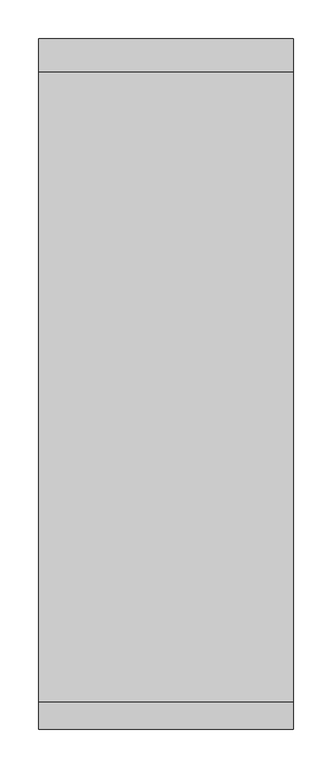
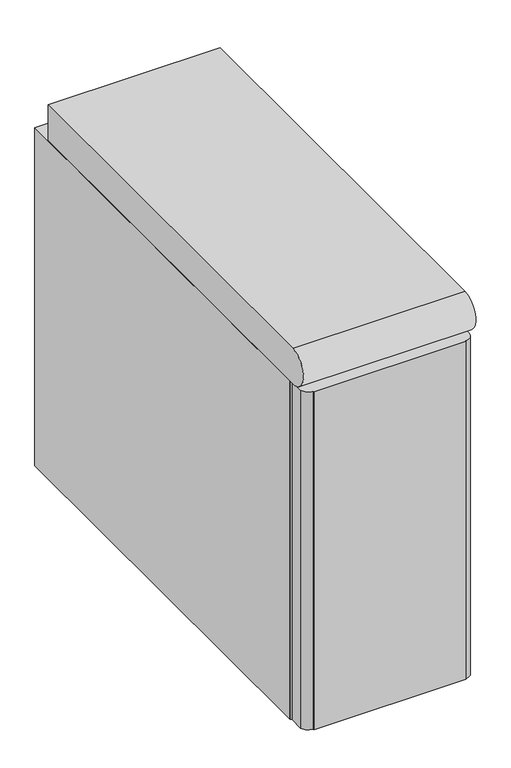
"""IFC4 building model written with IfcOpenShell, lengths in millimetres: proxy geometry."""

from ifc_helpers import new_model, si_unit, point, frame, frame_2d, origin, origin_with_axes, place, context, project, spatial, polyline, circle_curve, trimmed, segment, composite_curve, outline, extrude, source, transform, mapped, element, save


def specialty_equipment_05399ea4(model_context):
    return source(origin(), model_context, "Body", "SweptSolid", [
        extrude(outline(composite_curve([segment(polyline([(852.0276869, 688.0), (36.0, 688.0)]), True, "CONTINUOUS"), segment(trimmed(circle_curve(frame_2d((36.0, 724.0)), 36.0), [point((36.0, 688.0))], [point((36.0, 760.0))], False, "CARTESIAN"), True, "CONTINUOUS"), segment(polyline([(36.0, 760.0), (852.0276869, 760.0), (852.0276869, 688.0)]), True, "CONTINUOUS")], self_intersect=False)), frame((-165.9706192, 0.0, 0.0), z_axis=(1.0, 0.0, 0.0), x_axis=(0.0, 1.0, 0.0)), (0.0, 0.0, 1.0), 331.0),
        extrude(outline(composite_curve([segment(polyline([(165.0293808, 895.8276869), (165.0293808, 47.9810748)]), True, "CONTINUOUS"), segment(trimmed(circle_curve(frame_2d((158.294266, 47.6595047)), 6.7427872), [point((165.0293808, 47.9810748))], [point((163.0626752, 42.8921729))], False, "CARTESIAN"), True, "CONTINUOUS"), segment(polyline([(163.0626752, 42.8921729), (163.0626752, 18.1746495)]), True, "CONTINUOUS"), segment(trimmed(circle_curve(frame_2d((147.0531796, 18.1746495)), 16.0094956), [point((163.0626752, 18.1746495))], [point((146.3419977, 2.1809579))], False, "CARTESIAN"), True, "CONTINUOUS"), segment(polyline([(146.3419977, 2.1809579), (146.3419977, 0.0), (-146.3419977, 0.0), (-146.3419977, 2.1809579)]), True, "CONTINUOUS"), segment(trimmed(circle_curve(frame_2d((-145.7904911, 20.1111898)), 17.9387116), [point((-146.3419977, 2.1809579))], [point((-163.0626752, 15.2667056))], False, "CARTESIAN"), True, "CONTINUOUS"), segment(polyline([(-163.0626752, 15.2667056), (-163.2138358, 42.7403931), (-165.8273344, 45.9478778), (-165.9706192, 47.9810748), (-165.9706192, 895.8276869), (165.0293808, 895.8276869)]), True, "CONTINUOUS")], self_intersect=False)), origin_with_axes(), (0.0, 0.0, 1.0), 687.0),
    ])


if __name__ == "__main__":
    model = new_model("IFC4")
    model_context = context("Model", 3, world=origin())
    ifc_project = project(units=[si_unit("LENGTHUNIT", "METRE", prefix="MILLI")], contexts=[model_context])
    site = spatial("IfcSite", under=ifc_project)
    building = spatial("IfcBuilding", under=site)
    placement = place(None, origin())
    specialty_equipment_shape = specialty_equipment_05399ea4(model_context)
    element("IfcBuildingElementProxy", 1, Name="Specialty Equipment", at=placement, inside=building, context=model_context, shape_type="MappedRepresentation", body=[
        mapped(specialty_equipment_shape, transform((0.0, 0.0, 0.0), x_axis=(1.0, 0.0, 0.0), y_axis=(0.0, 1.0, 0.0), z_axis=(0.0, 0.0, 1.0))),
    ])
    save(model, "model.ifc")
